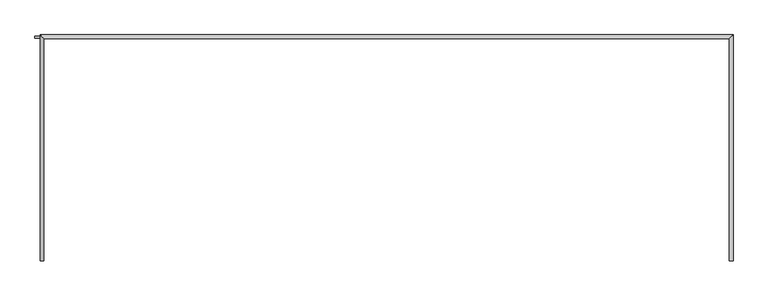
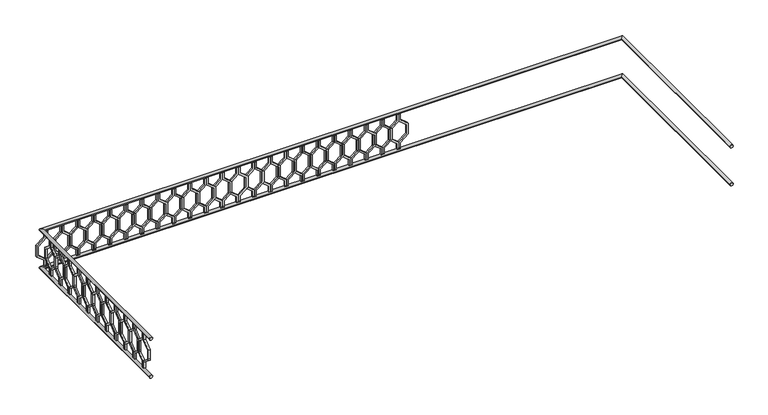
"""IFC4 building model written with IfcOpenShell, lengths in millimetres: railing geometry."""

from ifc_helpers import new_model, si_unit, frame, origin, place, context, project, spatial, polyline, circle_curve, ellipse_curve, outline, extrude, source, transform, mapped, element, save
from ifc_brep_helpers import plane_surface, cylinder_surface, advanced_brep


def railing_93a5544b(model_context):
    return source(origin(), model_context, "Body", "SolidModel", [
        advanced_brep(
        [(-40739.9887159, 903.1079487, 4980.0), (-40699.9887159, 903.1079487, 4980.0), (-40739.9887159, 3243.1079487, 4980.0), (-40699.9887159, 3283.1079487, 4980.0), (-47939.9887159, 3243.1079487, 4980.0), (-47979.9887159, 3283.1079487, 4980.0), (-47939.9887159, 903.1079487, 4980.0), (-47979.9887159, 903.1079487, 4980.0)],
        [
            (0, 1, circle_curve(frame((-40719.9887159, 903.1079487, 4980.0), z_axis=(0.0, -1.0, 0.0), x_axis=(1.0, 0.0, 0.0)), 20.0)),
            (1, 0, circle_curve(frame((-40719.9887159, 903.1079487, 4980.0), z_axis=(0.0, -1.0, 0.0), x_axis=(1.0, 0.0, 0.0)), 20.0)),
            (0, 2),
            (2, 3, ellipse_curve(frame((-40719.9887159, 3263.1079487, 4980.0), z_axis=(0.7071067811865475, -0.7071067811865476, 0.0), x_axis=(-0.7071067811865476, -0.7071067811865475, 0.0)), 28.2842712, 20.0)),
            (3, 1),
            (3, 2, ellipse_curve(frame((-40719.9887159, 3263.1079487, 4980.0), z_axis=(0.7071067811865475, -0.7071067811865476, 0.0), x_axis=(-0.7071067811865476, -0.7071067811865475, 0.0)), 28.2842712, 20.0)),
            (2, 4),
            (4, 5, ellipse_curve(frame((-47959.9887159, 3263.1079487, 4980.0), z_axis=(0.7071067811865481, 0.7071067811865469, 0.0), x_axis=(0.7071067811865469, -0.7071067811865481, 0.0)), 28.2842712, 20.0)),
            (5, 3),
            (5, 4, ellipse_curve(frame((-47959.9887159, 3263.1079487, 4980.0), z_axis=(0.7071067811865481, 0.7071067811865469, 0.0), x_axis=(0.7071067811865469, -0.7071067811865481, 0.0)), 28.2842712, 20.0)),
            (6, 7, circle_curve(frame((-47959.9887159, 903.1079487, 4980.0), z_axis=(0.0, -1.0, 0.0), x_axis=(-1.0, 0.0, 0.0)), 20.0)),
            (7, 6, circle_curve(frame((-47959.9887159, 903.1079487, 4980.0), z_axis=(0.0, -1.0, 0.0), x_axis=(-1.0, 0.0, 0.0)), 20.0)),
            (4, 6),
            (7, 5),
        ],
        [
            plane_surface(frame((-40719.9887159, 903.1079487, 5000.0), z_axis=(0.0, -1.0, 0.0), x_axis=(0.0, 0.0, 1.0))),
            cylinder_surface(frame((-40719.9887159, 903.1079487, 4980.0), z_axis=(0.0, -1.0, 0.0), x_axis=(1.0, 0.0, 0.0)), 20.0),
            cylinder_surface(frame((-40719.9887159, 3263.1079487, 4980.0), z_axis=(1.0, 0.0, 0.0), x_axis=(0.0, 1.0, 0.0)), 20.0),
            plane_surface(frame((-47959.9887159, 903.1079487, 5000.0), z_axis=(0.0, -1.0, 0.0), x_axis=(0.0, 0.0, -1.0))),
            cylinder_surface(frame((-47959.9887159, 3263.1079487, 4980.0), z_axis=(0.0, 1.0, 0.0), x_axis=(-1.0, 0.0, 0.0)), 20.0),
        ],
        [
            (0, [[1, 2]]),
            (1, [[-1, 3, 4, 5]]),
            (1, [[-2, -5, 6, -3]]),
            (2, [[-4, 7, 8, 9]]),
            (2, [[-6, -9, 10, -7]]),
            (3, [[11, 12]]),
            (4, [[-8, 13, -12, 14]]),
            (4, [[-10, -14, -11, -13]]),
        ],
    ),
        advanced_brep(
        [(-40739.9887159, 903.1079487, 4480.0), (-40699.9887159, 903.1079487, 4480.0), (-40739.9887159, 3243.1079487, 4480.0), (-40699.9887159, 3283.1079487, 4480.0), (-47939.9887159, 3243.1079487, 4480.0), (-47979.9887159, 3283.1079487, 4480.0), (-47939.9887159, 903.1079487, 4480.0), (-47979.9887159, 903.1079487, 4480.0)],
        [
            (0, 1, circle_curve(frame((-40719.9887159, 903.1079487, 4480.0), z_axis=(0.0, -1.0, 0.0), x_axis=(1.0, 0.0, 0.0)), 20.0)),
            (1, 0, circle_curve(frame((-40719.9887159, 903.1079487, 4480.0), z_axis=(0.0, -1.0, 0.0), x_axis=(1.0, 0.0, 0.0)), 20.0)),
            (0, 2),
            (2, 3, ellipse_curve(frame((-40719.9887159, 3263.1079487, 4480.0), z_axis=(0.7071067811865475, -0.7071067811865476, 0.0), x_axis=(-0.7071067811865476, -0.7071067811865475, 0.0)), 28.2842712, 20.0)),
            (3, 1),
            (3, 2, ellipse_curve(frame((-40719.9887159, 3263.1079487, 4480.0), z_axis=(0.7071067811865475, -0.7071067811865476, 0.0), x_axis=(-0.7071067811865476, -0.7071067811865475, 0.0)), 28.2842712, 20.0)),
            (2, 4),
            (4, 5, ellipse_curve(frame((-47959.9887159, 3263.1079487, 4480.0), z_axis=(0.7071067811865481, 0.7071067811865469, 0.0), x_axis=(0.7071067811865469, -0.7071067811865481, 0.0)), 28.2842712, 20.0)),
            (5, 3),
            (5, 4, ellipse_curve(frame((-47959.9887159, 3263.1079487, 4480.0), z_axis=(0.7071067811865481, 0.7071067811865469, 0.0), x_axis=(0.7071067811865469, -0.7071067811865481, 0.0)), 28.2842712, 20.0)),
            (6, 7, circle_curve(frame((-47959.9887159, 903.1079487, 4480.0), z_axis=(0.0, -1.0, 0.0), x_axis=(-1.0, 0.0, 0.0)), 20.0)),
            (7, 6, circle_curve(frame((-47959.9887159, 903.1079487, 4480.0), z_axis=(0.0, -1.0, 0.0), x_axis=(-1.0, 0.0, 0.0)), 20.0)),
            (4, 6),
            (7, 5),
        ],
        [
            plane_surface(frame((-40719.9887159, 903.1079487, 4500.0), z_axis=(0.0, -1.0, 0.0), x_axis=(0.0, 0.0, 1.0))),
            cylinder_surface(frame((-40719.9887159, 903.1079487, 4480.0), z_axis=(0.0, -1.0, 0.0), x_axis=(1.0, 0.0, 0.0)), 20.0),
            cylinder_surface(frame((-40719.9887159, 3263.1079487, 4480.0), z_axis=(1.0, 0.0, 0.0), x_axis=(0.0, 1.0, 0.0)), 20.0),
            plane_surface(frame((-47959.9887159, 903.1079487, 4500.0), z_axis=(0.0, -1.0, 0.0), x_axis=(0.0, 0.0, -1.0))),
            cylinder_surface(frame((-47959.9887159, 3263.1079487, 4480.0), z_axis=(0.0, 1.0, 0.0), x_axis=(-1.0, 0.0, 0.0)), 20.0),
        ],
        [
            (0, [[1, 2]]),
            (1, [[-1, 3, 4, 5]]),
            (1, [[-2, -5, 6, -3]]),
            (2, [[-4, 7, 8, 9]]),
            (2, [[-6, -9, 10, -7]]),
            (3, [[11, 12]]),
            (4, [[-8, 13, -12, 14]]),
            (4, [[-10, -14, -11, -13]]),
        ],
    ),
        extrude(outline(polyline([(1068.1079487, 4960.0), (1068.1079487, 4870.448155), (969.1129993, 4790.448155), (969.1129993, 4669.551845), (1068.1079487, 4589.551845), (1068.1079487, 4500.0), (1048.1079487, 4500.0), (1048.1079487, 4580.0), (949.1129993, 4660.0), (949.1129993, 4800.0), (1048.1079487, 4880.0), (1048.1079487, 4960.0), (1068.1079487, 4960.0)])), frame((-47964.9887159, 0.0, 0.0), z_axis=(1.0, 0.0, 0.0), x_axis=(0.0, 1.0, 0.0)), (0.0, 0.0, 1.0), 20.0),
        extrude(outline(polyline([(1068.1079487, 4960.0), (1088.1079487, 4960.0), (1088.1079487, 4880.0), (1187.102898, 4800.0), (1187.102898, 4660.0), (1088.1079487, 4580.0), (1088.1079487, 4500.0), (1068.1079487, 4500.0), (1068.1079487, 4589.551845), (1167.102898, 4669.551845), (1167.102898, 4790.448155), (1068.1079487, 4870.448155), (1068.1079487, 4960.0)])), frame((-47964.9887159, 0.0, 0.0), z_axis=(1.0, 0.0, 0.0), x_axis=(0.0, 1.0, 0.0)), (0.0, 0.0, 1.0), 20.0),
        extrude(outline(polyline([(1268.1079487, 4960.0), (1268.1079487, 4870.448155), (1169.1129993, 4790.448155), (1169.1129993, 4669.551845), (1268.1079487, 4589.551845), (1268.1079487, 4500.0), (1248.1079487, 4500.0), (1248.1079487, 4580.0), (1149.1129993, 4660.0), (1149.1129993, 4800.0), (1248.1079487, 4880.0), (1248.1079487, 4960.0), (1268.1079487, 4960.0)])), frame((-47964.9887159, 0.0, 0.0), z_axis=(1.0, 0.0, 0.0), x_axis=(0.0, 1.0, 0.0)), (0.0, 0.0, 1.0), 20.0),
        extrude(outline(polyline([(1268.1079487, 4960.0), (1288.1079487, 4960.0), (1288.1079487, 4880.0), (1387.102898, 4800.0), (1387.102898, 4660.0), (1288.1079487, 4580.0), (1288.1079487, 4500.0), (1268.1079487, 4500.0), (1268.1079487, 4589.551845), (1367.102898, 4669.551845), (1367.102898, 4790.448155), (1268.1079487, 4870.448155), (1268.1079487, 4960.0)])), frame((-47964.9887159, 0.0, 0.0), z_axis=(1.0, 0.0, 0.0), x_axis=(0.0, 1.0, 0.0)), (0.0, 0.0, 1.0), 20.0),
        extrude(outline(polyline([(1468.1079487, 4960.0), (1468.1079487, 4870.448155), (1369.1129993, 4790.448155), (1369.1129993, 4669.551845), (1468.1079487, 4589.551845), (1468.1079487, 4500.0), (1448.1079487, 4500.0), (1448.1079487, 4580.0), (1349.1129993, 4660.0), (1349.1129993, 4800.0), (1448.1079487, 4880.0), (1448.1079487, 4960.0), (1468.1079487, 4960.0)])), frame((-47964.9887159, 0.0, 0.0), z_axis=(1.0, 0.0, 0.0), x_axis=(0.0, 1.0, 0.0)), (0.0, 0.0, 1.0), 20.0),
        extrude(outline(polyline([(1468.1079487, 4960.0), (1488.1079487, 4960.0), (1488.1079487, 4880.0), (1587.102898, 4800.0), (1587.102898, 4660.0), (1488.1079487, 4580.0), (1488.1079487, 4500.0), (1468.1079487, 4500.0), (1468.1079487, 4589.551845), (1567.102898, 4669.551845), (1567.102898, 4790.448155), (1468.1079487, 4870.448155), (1468.1079487, 4960.0)])), frame((-47964.9887159, 0.0, 0.0), z_axis=(1.0, 0.0, 0.0), x_axis=(0.0, 1.0, 0.0)), (0.0, 0.0, 1.0), 20.0),
        extrude(outline(polyline([(1668.1079487, 4960.0), (1668.1079487, 4870.448155), (1569.1129993, 4790.448155), (1569.1129993, 4669.551845), (1668.1079487, 4589.551845), (1668.1079487, 4500.0), (1648.1079487, 4500.0), (1648.1079487, 4580.0), (1549.1129993, 4660.0), (1549.1129993, 4800.0), (1648.1079487, 4880.0), (1648.1079487, 4960.0), (1668.1079487, 4960.0)])), frame((-47964.9887159, 0.0, 0.0), z_axis=(1.0, 0.0, 0.0), x_axis=(0.0, 1.0, 0.0)), (0.0, 0.0, 1.0), 20.0),
        extrude(outline(polyline([(1668.1079487, 4960.0), (1688.1079487, 4960.0), (1688.1079487, 4880.0), (1787.102898, 4800.0), (1787.102898, 4660.0), (1688.1079487, 4580.0), (1688.1079487, 4500.0), (1668.1079487, 4500.0), (1668.1079487, 4589.551845), (1767.102898, 4669.551845), (1767.102898, 4790.448155), (1668.1079487, 4870.448155), (1668.1079487, 4960.0)])), frame((-47964.9887159, 0.0, 0.0), z_axis=(1.0, 0.0, 0.0), x_axis=(0.0, 1.0, 0.0)), (0.0, 0.0, 1.0), 20.0),
        extrude(outline(polyline([(1868.1079487, 4960.0), (1868.1079487, 4870.448155), (1769.1129993, 4790.448155), (1769.1129993, 4669.551845), (1868.1079487, 4589.551845), (1868.1079487, 4500.0), (1848.1079487, 4500.0), (1848.1079487, 4580.0), (1749.1129993, 4660.0), (1749.1129993, 4800.0), (1848.1079487, 4880.0), (1848.1079487, 4960.0), (1868.1079487, 4960.0)])), frame((-47964.9887159, 0.0, 0.0), z_axis=(1.0, 0.0, 0.0), x_axis=(0.0, 1.0, 0.0)), (0.0, 0.0, 1.0), 20.0),
        extrude(outline(polyline([(1868.1079487, 4960.0), (1888.1079487, 4960.0), (1888.1079487, 4880.0), (1987.102898, 4800.0), (1987.102898, 4660.0), (1888.1079487, 4580.0), (1888.1079487, 4500.0), (1868.1079487, 4500.0), (1868.1079487, 4589.551845), (1967.102898, 4669.551845), (1967.102898, 4790.448155), (1868.1079487, 4870.448155), (1868.1079487, 4960.0)])), frame((-47964.9887159, 0.0, 0.0), z_axis=(1.0, 0.0, 0.0), x_axis=(0.0, 1.0, 0.0)), (0.0, 0.0, 1.0), 20.0),
        extrude(outline(polyline([(2068.1079487, 4960.0), (2068.1079487, 4870.448155), (1969.1129993, 4790.448155), (1969.1129993, 4669.551845), (2068.1079487, 4589.551845), (2068.1079487, 4500.0), (2048.1079487, 4500.0), (2048.1079487, 4580.0), (1949.1129993, 4660.0), (1949.1129993, 4800.0), (2048.1079487, 4880.0), (2048.1079487, 4960.0), (2068.1079487, 4960.0)])), frame((-47964.9887159, 0.0, 0.0), z_axis=(1.0, 0.0, 0.0), x_axis=(0.0, 1.0, 0.0)), (0.0, 0.0, 1.0), 20.0),
        extrude(outline(polyline([(2068.1079487, 4960.0), (2088.1079487, 4960.0), (2088.1079487, 4880.0), (2187.102898, 4800.0), (2187.102898, 4660.0), (2088.1079487, 4580.0), (2088.1079487, 4500.0), (2068.1079487, 4500.0), (2068.1079487, 4589.551845), (2167.102898, 4669.551845), (2167.102898, 4790.448155), (2068.1079487, 4870.448155), (2068.1079487, 4960.0)])), frame((-47964.9887159, 0.0, 0.0), z_axis=(1.0, 0.0, 0.0), x_axis=(0.0, 1.0, 0.0)), (0.0, 0.0, 1.0), 20.0),
        extrude(outline(polyline([(2268.1079487, 4960.0), (2268.1079487, 4870.448155), (2169.1129993, 4790.448155), (2169.1129993, 4669.551845), (2268.1079487, 4589.551845), (2268.1079487, 4500.0), (2248.1079487, 4500.0), (2248.1079487, 4580.0), (2149.1129993, 4660.0), (2149.1129993, 4800.0), (2248.1079487, 4880.0), (2248.1079487, 4960.0), (2268.1079487, 4960.0)])), frame((-47964.9887159, 0.0, 0.0), z_axis=(1.0, 0.0, 0.0), x_axis=(0.0, 1.0, 0.0)), (0.0, 0.0, 1.0), 20.0),
        extrude(outline(polyline([(2268.1079487, 4960.0), (2288.1079487, 4960.0), (2288.1079487, 4880.0), (2387.102898, 4800.0), (2387.102898, 4660.0), (2288.1079487, 4580.0), (2288.1079487, 4500.0), (2268.1079487, 4500.0), (2268.1079487, 4589.551845), (2367.102898, 4669.551845), (2367.102898, 4790.448155), (2268.1079487, 4870.448155), (2268.1079487, 4960.0)])), frame((-47964.9887159, 0.0, 0.0), z_axis=(1.0, 0.0, 0.0), x_axis=(0.0, 1.0, 0.0)), (0.0, 0.0, 1.0), 20.0),
        extrude(outline(polyline([(2468.1079487, 4960.0), (2468.1079487, 4870.448155), (2369.1129993, 4790.448155), (2369.1129993, 4669.551845), (2468.1079487, 4589.551845), (2468.1079487, 4500.0), (2448.1079487, 4500.0), (2448.1079487, 4580.0), (2349.1129993, 4660.0), (2349.1129993, 4800.0), (2448.1079487, 4880.0), (2448.1079487, 4960.0), (2468.1079487, 4960.0)])), frame((-47964.9887159, 0.0, 0.0), z_axis=(1.0, 0.0, 0.0), x_axis=(0.0, 1.0, 0.0)), (0.0, 0.0, 1.0), 20.0),
        extrude(outline(polyline([(2468.1079487, 4960.0), (2488.1079487, 4960.0), (2488.1079487, 4880.0), (2587.102898, 4800.0), (2587.102898, 4660.0), (2488.1079487, 4580.0), (2488.1079487, 4500.0), (2468.1079487, 4500.0), (2468.1079487, 4589.551845), (2567.102898, 4669.551845), (2567.102898, 4790.448155), (2468.1079487, 4870.448155), (2468.1079487, 4960.0)])), frame((-47964.9887159, 0.0, 0.0), z_axis=(1.0, 0.0, 0.0), x_axis=(0.0, 1.0, 0.0)), (0.0, 0.0, 1.0), 20.0),
        extrude(outline(polyline([(2668.1079487, 4960.0), (2668.1079487, 4870.448155), (2569.1129993, 4790.448155), (2569.1129993, 4669.551845), (2668.1079487, 4589.551845), (2668.1079487, 4500.0), (2648.1079487, 4500.0), (2648.1079487, 4580.0), (2549.1129993, 4660.0), (2549.1129993, 4800.0), (2648.1079487, 4880.0), (2648.1079487, 4960.0), (2668.1079487, 4960.0)])), frame((-47964.9887159, 0.0, 0.0), z_axis=(1.0, 0.0, 0.0), x_axis=(0.0, 1.0, 0.0)), (0.0, 0.0, 1.0), 20.0),
        extrude(outline(polyline([(2668.1079487, 4960.0), (2688.1079487, 4960.0), (2688.1079487, 4880.0), (2787.102898, 4800.0), (2787.102898, 4660.0), (2688.1079487, 4580.0), (2688.1079487, 4500.0), (2668.1079487, 4500.0), (2668.1079487, 4589.551845), (2767.102898, 4669.551845), (2767.102898, 4790.448155), (2668.1079487, 4870.448155), (2668.1079487, 4960.0)])), frame((-47964.9887159, 0.0, 0.0), z_axis=(1.0, 0.0, 0.0), x_axis=(0.0, 1.0, 0.0)), (0.0, 0.0, 1.0), 20.0),
        extrude(outline(polyline([(2868.1079487, 4960.0), (2868.1079487, 4870.448155), (2769.1129993, 4790.448155), (2769.1129993, 4669.551845), (2868.1079487, 4589.551845), (2868.1079487, 4500.0), (2848.1079487, 4500.0), (2848.1079487, 4580.0), (2749.1129993, 4660.0), (2749.1129993, 4800.0), (2848.1079487, 4880.0), (2848.1079487, 4960.0), (2868.1079487, 4960.0)])), frame((-47964.9887159, 0.0, 0.0), z_axis=(1.0, 0.0, 0.0), x_axis=(0.0, 1.0, 0.0)), (0.0, 0.0, 1.0), 20.0),
        extrude(outline(polyline([(2868.1079487, 4960.0), (2888.1079487, 4960.0), (2888.1079487, 4880.0), (2987.102898, 4800.0), (2987.102898, 4660.0), (2888.1079487, 4580.0), (2888.1079487, 4500.0), (2868.1079487, 4500.0), (2868.1079487, 4589.551845), (2967.102898, 4669.551845), (2967.102898, 4790.448155), (2868.1079487, 4870.448155), (2868.1079487, 4960.0)])), frame((-47964.9887159, 0.0, 0.0), z_axis=(1.0, 0.0, 0.0), x_axis=(0.0, 1.0, 0.0)), (0.0, 0.0, 1.0), 20.0),
        extrude(outline(polyline([(3068.1079487, 4960.0), (3068.1079487, 4870.448155), (2969.1129993, 4790.448155), (2969.1129993, 4669.551845), (3068.1079487, 4589.551845), (3068.1079487, 4500.0), (3048.1079487, 4500.0), (3048.1079487, 4580.0), (2949.1129993, 4660.0), (2949.1129993, 4800.0), (3048.1079487, 4880.0), (3048.1079487, 4960.0), (3068.1079487, 4960.0)])), frame((-47964.9887159, 0.0, 0.0), z_axis=(1.0, 0.0, 0.0), x_axis=(0.0, 1.0, 0.0)), (0.0, 0.0, 1.0), 20.0),
        extrude(outline(polyline([(3068.1079487, 4960.0), (3088.1079487, 4960.0), (3088.1079487, 4880.0), (3187.102898, 4800.0), (3187.102898, 4660.0), (3088.1079487, 4580.0), (3088.1079487, 4500.0), (3068.1079487, 4500.0), (3068.1079487, 4589.551845), (3167.102898, 4669.551845), (3167.102898, 4790.448155), (3068.1079487, 4870.448155), (3068.1079487, 4960.0)])), frame((-47964.9887159, 0.0, 0.0), z_axis=(1.0, 0.0, 0.0), x_axis=(0.0, 1.0, 0.0)), (0.0, 0.0, 1.0), 20.0),
        extrude(outline(polyline([(4960.0, -47914.9887159), (4960.0, -47934.9887159), (4880.0, -47934.9887159), (4800.0, -48033.9836653), (4660.0, -48033.9836653), (4580.0, -47934.9887159), (4500.0, -47934.9887159), (4500.0, -47914.9887159), (4589.551845, -47914.9887159), (4669.551845, -48013.9836653), (4790.448155, -48013.9836653), (4870.448155, -47914.9887159), (4960.0, -47914.9887159)])), frame((0.0, 3248.1079487, 0.0), z_axis=(0.0, 1.0, 0.0), x_axis=(0.0, 0.0, 1.0)), (0.0, 0.0, 1.0), 20.0),
        extrude(outline(polyline([(4960.0, -47914.9887159), (4870.448155, -47914.9887159), (4790.448155, -47815.9937665), (4669.551845, -47815.9937665), (4589.551845, -47914.9887159), (4500.0, -47914.9887159), (4500.0, -47894.9887159), (4580.0, -47894.9887159), (4660.0, -47795.9937665), (4800.0, -47795.9937665), (4880.0, -47894.9887159), (4960.0, -47894.9887159), (4960.0, -47914.9887159)])), frame((0.0, 3248.1079487, 0.0), z_axis=(0.0, 1.0, 0.0), x_axis=(0.0, 0.0, 1.0)), (0.0, 0.0, 1.0), 20.0),
        extrude(outline(polyline([(4960.0, -47714.9887159), (4960.0, -47734.9887159), (4880.0, -47734.9887159), (4800.0, -47833.9836653), (4660.0, -47833.9836653), (4580.0, -47734.9887159), (4500.0, -47734.9887159), (4500.0, -47714.9887159), (4589.551845, -47714.9887159), (4669.551845, -47813.9836653), (4790.448155, -47813.9836653), (4870.448155, -47714.9887159), (4960.0, -47714.9887159)])), frame((0.0, 3248.1079487, 0.0), z_axis=(0.0, 1.0, 0.0), x_axis=(0.0, 0.0, 1.0)), (0.0, 0.0, 1.0), 20.0),
        extrude(outline(polyline([(4960.0, -47714.9887159), (4870.448155, -47714.9887159), (4790.448155, -47615.9937665), (4669.551845, -47615.9937665), (4589.551845, -47714.9887159), (4500.0, -47714.9887159), (4500.0, -47694.9887159), (4580.0, -47694.9887159), (4660.0, -47595.9937665), (4800.0, -47595.9937665), (4880.0, -47694.9887159), (4960.0, -47694.9887159), (4960.0, -47714.9887159)])), frame((0.0, 3248.1079487, 0.0), z_axis=(0.0, 1.0, 0.0), x_axis=(0.0, 0.0, 1.0)), (0.0, 0.0, 1.0), 20.0),
        extrude(outline(polyline([(4960.0, -47514.9887159), (4960.0, -47534.9887159), (4880.0, -47534.9887159), (4800.0, -47633.9836653), (4660.0, -47633.9836653), (4580.0, -47534.9887159), (4500.0, -47534.9887159), (4500.0, -47514.9887159), (4589.551845, -47514.9887159), (4669.551845, -47613.9836653), (4790.448155, -47613.9836653), (4870.448155, -47514.9887159), (4960.0, -47514.9887159)])), frame((0.0, 3248.1079487, 0.0), z_axis=(0.0, 1.0, 0.0), x_axis=(0.0, 0.0, 1.0)), (0.0, 0.0, 1.0), 20.0),
        extrude(outline(polyline([(4960.0, -47514.9887159), (4870.448155, -47514.9887159), (4790.448155, -47415.9937665), (4669.551845, -47415.9937665), (4589.551845, -47514.9887159), (4500.0, -47514.9887159), (4500.0, -47494.9887159), (4580.0, -47494.9887159), (4660.0, -47395.9937665), (4800.0, -47395.9937665), (4880.0, -47494.9887159), (4960.0, -47494.9887159), (4960.0, -47514.9887159)])), frame((0.0, 3248.1079487, 0.0), z_axis=(0.0, 1.0, 0.0), x_axis=(0.0, 0.0, 1.0)), (0.0, 0.0, 1.0), 20.0),
        extrude(outline(polyline([(4960.0, -47314.9887159), (4960.0, -47334.9887159), (4880.0, -47334.9887159), (4800.0, -47433.9836653), (4660.0, -47433.9836653), (4580.0, -47334.9887159), (4500.0, -47334.9887159), (4500.0, -47314.9887159), (4589.551845, -47314.9887159), (4669.551845, -47413.9836653), (4790.448155, -47413.9836653), (4870.448155, -47314.9887159), (4960.0, -47314.9887159)])), frame((0.0, 3248.1079487, 0.0), z_axis=(0.0, 1.0, 0.0), x_axis=(0.0, 0.0, 1.0)), (0.0, 0.0, 1.0), 20.0),
        extrude(outline(polyline([(4960.0, -47314.9887159), (4870.448155, -47314.9887159), (4790.448155, -47215.9937665), (4669.551845, -47215.9937665), (4589.551845, -47314.9887159), (4500.0, -47314.9887159), (4500.0, -47294.9887159), (4580.0, -47294.9887159), (4660.0, -47195.9937665), (4800.0, -47195.9937665), (4880.0, -47294.9887159), (4960.0, -47294.9887159), (4960.0, -47314.9887159)])), frame((0.0, 3248.1079487, 0.0), z_axis=(0.0, 1.0, 0.0), x_axis=(0.0, 0.0, 1.0)), (0.0, 0.0, 1.0), 20.0),
        extrude(outline(polyline([(4960.0, -47114.9887159), (4960.0, -47134.9887159), (4880.0, -47134.9887159), (4800.0, -47233.9836653), (4660.0, -47233.9836653), (4580.0, -47134.9887159), (4500.0, -47134.9887159), (4500.0, -47114.9887159), (4589.551845, -47114.9887159), (4669.551845, -47213.9836653), (4790.448155, -47213.9836653), (4870.448155, -47114.9887159), (4960.0, -47114.9887159)])), frame((0.0, 3248.1079487, 0.0), z_axis=(0.0, 1.0, 0.0), x_axis=(0.0, 0.0, 1.0)), (0.0, 0.0, 1.0), 20.0),
        extrude(outline(polyline([(4960.0, -47114.9887159), (4870.448155, -47114.9887159), (4790.448155, -47015.9937665), (4669.551845, -47015.9937665), (4589.551845, -47114.9887159), (4500.0, -47114.9887159), (4500.0, -47094.9887159), (4580.0, -47094.9887159), (4660.0, -46995.9937665), (4800.0, -46995.9937665), (4880.0, -47094.9887159), (4960.0, -47094.9887159), (4960.0, -47114.9887159)])), frame((0.0, 3248.1079487, 0.0), z_axis=(0.0, 1.0, 0.0), x_axis=(0.0, 0.0, 1.0)), (0.0, 0.0, 1.0), 20.0),
        extrude(outline(polyline([(4960.0, -46914.9887159), (4960.0, -46934.9887159), (4880.0, -46934.9887159), (4800.0, -47033.9836653), (4660.0, -47033.9836653), (4580.0, -46934.9887159), (4500.0, -46934.9887159), (4500.0, -46914.9887159), (4589.551845, -46914.9887159), (4669.551845, -47013.9836653), (4790.448155, -47013.9836653), (4870.448155, -46914.9887159), (4960.0, -46914.9887159)])), frame((0.0, 3248.1079487, 0.0), z_axis=(0.0, 1.0, 0.0), x_axis=(0.0, 0.0, 1.0)), (0.0, 0.0, 1.0), 20.0),
        extrude(outline(polyline([(4960.0, -46914.9887159), (4870.448155, -46914.9887159), (4790.448155, -46815.9937665), (4669.551845, -46815.9937665), (4589.551845, -46914.9887159), (4500.0, -46914.9887159), (4500.0, -46894.9887159), (4580.0, -46894.9887159), (4660.0, -46795.9937665), (4800.0, -46795.9937665), (4880.0, -46894.9887159), (4960.0, -46894.9887159), (4960.0, -46914.9887159)])), frame((0.0, 3248.1079487, 0.0), z_axis=(0.0, 1.0, 0.0), x_axis=(0.0, 0.0, 1.0)), (0.0, 0.0, 1.0), 20.0),
        extrude(outline(polyline([(4960.0, -46714.9887159), (4960.0, -46734.9887159), (4880.0, -46734.9887159), (4800.0, -46833.9836653), (4660.0, -46833.9836653), (4580.0, -46734.9887159), (4500.0, -46734.9887159), (4500.0, -46714.9887159), (4589.551845, -46714.9887159), (4669.551845, -46813.9836653), (4790.448155, -46813.9836653), (4870.448155, -46714.9887159), (4960.0, -46714.9887159)])), frame((0.0, 3248.1079487, 0.0), z_axis=(0.0, 1.0, 0.0), x_axis=(0.0, 0.0, 1.0)), (0.0, 0.0, 1.0), 20.0),
        extrude(outline(polyline([(4960.0, -46714.9887159), (4870.448155, -46714.9887159), (4790.448155, -46615.9937665), (4669.551845, -46615.9937665), (4589.551845, -46714.9887159), (4500.0, -46714.9887159), (4500.0, -46694.9887159), (4580.0, -46694.9887159), (4660.0, -46595.9937665), (4800.0, -46595.9937665), (4880.0, -46694.9887159), (4960.0, -46694.9887159), (4960.0, -46714.9887159)])), frame((0.0, 3248.1079487, 0.0), z_axis=(0.0, 1.0, 0.0), x_axis=(0.0, 0.0, 1.0)), (0.0, 0.0, 1.0), 20.0),
        extrude(outline(polyline([(4960.0, -46514.9887159), (4960.0, -46534.9887159), (4880.0, -46534.9887159), (4800.0, -46633.9836653), (4660.0, -46633.9836653), (4580.0, -46534.9887159), (4500.0, -46534.9887159), (4500.0, -46514.9887159), (4589.551845, -46514.9887159), (4669.551845, -46613.9836653), (4790.448155, -46613.9836653), (4870.448155, -46514.9887159), (4960.0, -46514.9887159)])), frame((0.0, 3248.1079487, 0.0), z_axis=(0.0, 1.0, 0.0), x_axis=(0.0, 0.0, 1.0)), (0.0, 0.0, 1.0), 20.0),
        extrude(outline(polyline([(4960.0, -46514.9887159), (4870.448155, -46514.9887159), (4790.448155, -46415.9937665), (4669.551845, -46415.9937665), (4589.551845, -46514.9887159), (4500.0, -46514.9887159), (4500.0, -46494.9887159), (4580.0, -46494.9887159), (4660.0, -46395.9937665), (4800.0, -46395.9937665), (4880.0, -46494.9887159), (4960.0, -46494.9887159), (4960.0, -46514.9887159)])), frame((0.0, 3248.1079487, 0.0), z_axis=(0.0, 1.0, 0.0), x_axis=(0.0, 0.0, 1.0)), (0.0, 0.0, 1.0), 20.0),
        extrude(outline(polyline([(4960.0, -46314.9887159), (4960.0, -46334.9887159), (4880.0, -46334.9887159), (4800.0, -46433.9836653), (4660.0, -46433.9836653), (4580.0, -46334.9887159), (4500.0, -46334.9887159), (4500.0, -46314.9887159), (4589.551845, -46314.9887159), (4669.551845, -46413.9836653), (4790.448155, -46413.9836653), (4870.448155, -46314.9887159), (4960.0, -46314.9887159)])), frame((0.0, 3248.1079487, 0.0), z_axis=(0.0, 1.0, 0.0), x_axis=(0.0, 0.0, 1.0)), (0.0, 0.0, 1.0), 20.0),
        extrude(outline(polyline([(4960.0, -46314.9887159), (4870.448155, -46314.9887159), (4790.448155, -46215.9937665), (4669.551845, -46215.9937665), (4589.551845, -46314.9887159), (4500.0, -46314.9887159), (4500.0, -46294.9887159), (4580.0, -46294.9887159), (4660.0, -46195.9937665), (4800.0, -46195.9937665), (4880.0, -46294.9887159), (4960.0, -46294.9887159), (4960.0, -46314.9887159)])), frame((0.0, 3248.1079487, 0.0), z_axis=(0.0, 1.0, 0.0), x_axis=(0.0, 0.0, 1.0)), (0.0, 0.0, 1.0), 20.0),
        extrude(outline(polyline([(4960.0, -46114.9887159), (4960.0, -46134.9887159), (4880.0, -46134.9887159), (4800.0, -46233.9836653), (4660.0, -46233.9836653), (4580.0, -46134.9887159), (4500.0, -46134.9887159), (4500.0, -46114.9887159), (4589.551845, -46114.9887159), (4669.551845, -46213.9836653), (4790.448155, -46213.9836653), (4870.448155, -46114.9887159), (4960.0, -46114.9887159)])), frame((0.0, 3248.1079487, 0.0), z_axis=(0.0, 1.0, 0.0), x_axis=(0.0, 0.0, 1.0)), (0.0, 0.0, 1.0), 20.0),
        extrude(outline(polyline([(4960.0, -46114.9887159), (4870.448155, -46114.9887159), (4790.448155, -46015.9937665), (4669.551845, -46015.9937665), (4589.551845, -46114.9887159), (4500.0, -46114.9887159), (4500.0, -46094.9887159), (4580.0, -46094.9887159), (4660.0, -45995.9937665), (4800.0, -45995.9937665), (4880.0, -46094.9887159), (4960.0, -46094.9887159), (4960.0, -46114.9887159)])), frame((0.0, 3248.1079487, 0.0), z_axis=(0.0, 1.0, 0.0), x_axis=(0.0, 0.0, 1.0)), (0.0, 0.0, 1.0), 20.0),
        extrude(outline(polyline([(4960.0, -45914.9887159), (4960.0, -45934.9887159), (4880.0, -45934.9887159), (4800.0, -46033.9836653), (4660.0, -46033.9836653), (4580.0, -45934.9887159), (4500.0, -45934.9887159), (4500.0, -45914.9887159), (4589.551845, -45914.9887159), (4669.551845, -46013.9836653), (4790.448155, -46013.9836653), (4870.448155, -45914.9887159), (4960.0, -45914.9887159)])), frame((0.0, 3248.1079487, 0.0), z_axis=(0.0, 1.0, 0.0), x_axis=(0.0, 0.0, 1.0)), (0.0, 0.0, 1.0), 20.0),
        extrude(outline(polyline([(4960.0, -45914.9887159), (4870.448155, -45914.9887159), (4790.448155, -45815.9937665), (4669.551845, -45815.9937665), (4589.551845, -45914.9887159), (4500.0, -45914.9887159), (4500.0, -45894.9887159), (4580.0, -45894.9887159), (4660.0, -45795.9937665), (4800.0, -45795.9937665), (4880.0, -45894.9887159), (4960.0, -45894.9887159), (4960.0, -45914.9887159)])), frame((0.0, 3248.1079487, 0.0), z_axis=(0.0, 1.0, 0.0), x_axis=(0.0, 0.0, 1.0)), (0.0, 0.0, 1.0), 20.0),
        extrude(outline(polyline([(4960.0, -45714.9887159), (4960.0, -45734.9887159), (4880.0, -45734.9887159), (4800.0, -45833.9836653), (4660.0, -45833.9836653), (4580.0, -45734.9887159), (4500.0, -45734.9887159), (4500.0, -45714.9887159), (4589.551845, -45714.9887159), (4669.551845, -45813.9836653), (4790.448155, -45813.9836653), (4870.448155, -45714.9887159), (4960.0, -45714.9887159)])), frame((0.0, 3248.1079487, 0.0), z_axis=(0.0, 1.0, 0.0), x_axis=(0.0, 0.0, 1.0)), (0.0, 0.0, 1.0), 20.0),
        extrude(outline(polyline([(4960.0, -45714.9887159), (4870.448155, -45714.9887159), (4790.448155, -45615.9937665), (4669.551845, -45615.9937665), (4589.551845, -45714.9887159), (4500.0, -45714.9887159), (4500.0, -45694.9887159), (4580.0, -45694.9887159), (4660.0, -45595.9937665), (4800.0, -45595.9937665), (4880.0, -45694.9887159), (4960.0, -45694.9887159), (4960.0, -45714.9887159)])), frame((0.0, 3248.1079487, 0.0), z_axis=(0.0, 1.0, 0.0), x_axis=(0.0, 0.0, 1.0)), (0.0, 0.0, 1.0), 20.0),
        extrude(outline(polyline([(4960.0, -45514.9887159), (4960.0, -45534.9887159), (4880.0, -45534.9887159), (4800.0, -45633.9836653), (4660.0, -45633.9836653), (4580.0, -45534.9887159), (4500.0, -45534.9887159), (4500.0, -45514.9887159), (4589.551845, -45514.9887159), (4669.551845, -45613.9836653), (4790.448155, -45613.9836653), (4870.448155, -45514.9887159), (4960.0, -45514.9887159)])), frame((0.0, 3248.1079487, 0.0), z_axis=(0.0, 1.0, 0.0), x_axis=(0.0, 0.0, 1.0)), (0.0, 0.0, 1.0), 20.0),
        extrude(outline(polyline([(4960.0, -45514.9887159), (4870.448155, -45514.9887159), (4790.448155, -45415.9937665), (4669.551845, -45415.9937665), (4589.551845, -45514.9887159), (4500.0, -45514.9887159), (4500.0, -45494.9887159), (4580.0, -45494.9887159), (4660.0, -45395.9937665), (4800.0, -45395.9937665), (4880.0, -45494.9887159), (4960.0, -45494.9887159), (4960.0, -45514.9887159)])), frame((0.0, 3248.1079487, 0.0), z_axis=(0.0, 1.0, 0.0), x_axis=(0.0, 0.0, 1.0)), (0.0, 0.0, 1.0), 20.0),
        extrude(outline(polyline([(4960.0, -45314.9887159), (4960.0, -45334.9887159), (4880.0, -45334.9887159), (4800.0, -45433.9836653), (4660.0, -45433.9836653), (4580.0, -45334.9887159), (4500.0, -45334.9887159), (4500.0, -45314.9887159), (4589.551845, -45314.9887159), (4669.551845, -45413.9836653), (4790.448155, -45413.9836653), (4870.448155, -45314.9887159), (4960.0, -45314.9887159)])), frame((0.0, 3248.1079487, 0.0), z_axis=(0.0, 1.0, 0.0), x_axis=(0.0, 0.0, 1.0)), (0.0, 0.0, 1.0), 20.0),
        extrude(outline(polyline([(4960.0, -45314.9887159), (4870.448155, -45314.9887159), (4790.448155, -45215.9937665), (4669.551845, -45215.9937665), (4589.551845, -45314.9887159), (4500.0, -45314.9887159), (4500.0, -45294.9887159), (4580.0, -45294.9887159), (4660.0, -45195.9937665), (4800.0, -45195.9937665), (4880.0, -45294.9887159), (4960.0, -45294.9887159), (4960.0, -45314.9887159)])), frame((0.0, 3248.1079487, 0.0), z_axis=(0.0, 1.0, 0.0), x_axis=(0.0, 0.0, 1.0)), (0.0, 0.0, 1.0), 20.0),
        extrude(outline(polyline([(4960.0, -45114.9887159), (4960.0, -45134.9887159), (4880.0, -45134.9887159), (4800.0, -45233.9836653), (4660.0, -45233.9836653), (4580.0, -45134.9887159), (4500.0, -45134.9887159), (4500.0, -45114.9887159), (4589.551845, -45114.9887159), (4669.551845, -45213.9836653), (4790.448155, -45213.9836653), (4870.448155, -45114.9887159), (4960.0, -45114.9887159)])), frame((0.0, 3248.1079487, 0.0), z_axis=(0.0, 1.0, 0.0), x_axis=(0.0, 0.0, 1.0)), (0.0, 0.0, 1.0), 20.0),
        extrude(outline(polyline([(4960.0, -45114.9887159), (4870.448155, -45114.9887159), (4790.448155, -45015.9937665), (4669.551845, -45015.9937665), (4589.551845, -45114.9887159), (4500.0, -45114.9887159), (4500.0, -45094.9887159), (4580.0, -45094.9887159), (4660.0, -44995.9937665), (4800.0, -44995.9937665), (4880.0, -45094.9887159), (4960.0, -45094.9887159), (4960.0, -45114.9887159)])), frame((0.0, 3248.1079487, 0.0), z_axis=(0.0, 1.0, 0.0), x_axis=(0.0, 0.0, 1.0)), (0.0, 0.0, 1.0), 20.0),
        extrude(outline(polyline([(4960.0, -44914.9887159), (4960.0, -44934.9887159), (4880.0, -44934.9887159), (4800.0, -45033.9836653), (4660.0, -45033.9836653), (4580.0, -44934.9887159), (4500.0, -44934.9887159), (4500.0, -44914.9887159), (4589.551845, -44914.9887159), (4669.551845, -45013.9836653), (4790.448155, -45013.9836653), (4870.448155, -44914.9887159), (4960.0, -44914.9887159)])), frame((0.0, 3248.1079487, 0.0), z_axis=(0.0, 1.0, 0.0), x_axis=(0.0, 0.0, 1.0)), (0.0, 0.0, 1.0), 20.0),
        extrude(outline(polyline([(4960.0, -44914.9887159), (4870.448155, -44914.9887159), (4790.448155, -44815.9937665), (4669.551845, -44815.9937665), (4589.551845, -44914.9887159), (4500.0, -44914.9887159), (4500.0, -44894.9887159), (4580.0, -44894.9887159), (4660.0, -44795.9937665), (4800.0, -44795.9937665), (4880.0, -44894.9887159), (4960.0, -44894.9887159), (4960.0, -44914.9887159)])), frame((0.0, 3248.1079487, 0.0), z_axis=(0.0, 1.0, 0.0), x_axis=(0.0, 0.0, 1.0)), (0.0, 0.0, 1.0), 20.0),
        extrude(outline(polyline([(4960.0, -44714.9887159), (4960.0, -44734.9887159), (4880.0, -44734.9887159), (4800.0, -44833.9836653), (4660.0, -44833.9836653), (4580.0, -44734.9887159), (4500.0, -44734.9887159), (4500.0, -44714.9887159), (4589.551845, -44714.9887159), (4669.551845, -44813.9836653), (4790.448155, -44813.9836653), (4870.448155, -44714.9887159), (4960.0, -44714.9887159)])), frame((0.0, 3248.1079487, 0.0), z_axis=(0.0, 1.0, 0.0), x_axis=(0.0, 0.0, 1.0)), (0.0, 0.0, 1.0), 20.0),
        extrude(outline(polyline([(4960.0, -44714.9887159), (4870.448155, -44714.9887159), (4790.448155, -44615.9937665), (4669.551845, -44615.9937665), (4589.551845, -44714.9887159), (4500.0, -44714.9887159), (4500.0, -44694.9887159), (4580.0, -44694.9887159), (4660.0, -44595.9937665), (4800.0, -44595.9937665), (4880.0, -44694.9887159), (4960.0, -44694.9887159), (4960.0, -44714.9887159)])), frame((0.0, 3248.1079487, 0.0), z_axis=(0.0, 1.0, 0.0), x_axis=(0.0, 0.0, 1.0)), (0.0, 0.0, 1.0), 20.0),
        extrude(outline(polyline([(4960.0, -44514.9887159), (4960.0, -44534.9887159), (4880.0, -44534.9887159), (4800.0, -44633.9836653), (4660.0, -44633.9836653), (4580.0, -44534.9887159), (4500.0, -44534.9887159), (4500.0, -44514.9887159), (4589.551845, -44514.9887159), (4669.551845, -44613.9836653), (4790.448155, -44613.9836653), (4870.448155, -44514.9887159), (4960.0, -44514.9887159)])), frame((0.0, 3248.1079487, 0.0), z_axis=(0.0, 1.0, 0.0), x_axis=(0.0, 0.0, 1.0)), (0.0, 0.0, 1.0), 20.0),
        extrude(outline(polyline([(4960.0, -44514.9887159), (4870.448155, -44514.9887159), (4790.448155, -44415.9937665), (4669.551845, -44415.9937665), (4589.551845, -44514.9887159), (4500.0, -44514.9887159), (4500.0, -44494.9887159), (4580.0, -44494.9887159), (4660.0, -44395.9937665), (4800.0, -44395.9937665), (4880.0, -44494.9887159), (4960.0, -44494.9887159), (4960.0, -44514.9887159)])), frame((0.0, 3248.1079487, 0.0), z_axis=(0.0, 1.0, 0.0), x_axis=(0.0, 0.0, 1.0)), (0.0, 0.0, 1.0), 20.0),
        extrude(outline(polyline([(4960.0, -44314.9887159), (4960.0, -44334.9887159), (4880.0, -44334.9887159), (4800.0, -44433.9836653), (4660.0, -44433.9836653), (4580.0, -44334.9887159), (4500.0, -44334.9887159), (4500.0, -44314.9887159), (4589.551845, -44314.9887159), (4669.551845, -44413.9836653), (4790.448155, -44413.9836653), (4870.448155, -44314.9887159), (4960.0, -44314.9887159)])), frame((0.0, 3248.1079487, 0.0), z_axis=(0.0, 1.0, 0.0), x_axis=(0.0, 0.0, 1.0)), (0.0, 0.0, 1.0), 20.0),
        extrude(outline(polyline([(4960.0, -44314.9887159), (4870.448155, -44314.9887159), (4790.448155, -44215.9937665), (4669.551845, -44215.9937665), (4589.551845, -44314.9887159), (4500.0, -44314.9887159), (4500.0, -44294.9887159), (4580.0, -44294.9887159), (4660.0, -44195.9937665), (4800.0, -44195.9937665), (4880.0, -44294.9887159), (4960.0, -44294.9887159), (4960.0, -44314.9887159)])), frame((0.0, 3248.1079487, 0.0), z_axis=(0.0, 1.0, 0.0), x_axis=(0.0, 0.0, 1.0)), (0.0, 0.0, 1.0), 20.0),
        extrude(outline(polyline([(4960.0, -44114.9887159), (4960.0, -44134.9887159), (4880.0, -44134.9887159), (4800.0, -44233.9836653), (4660.0, -44233.9836653), (4580.0, -44134.9887159), (4500.0, -44134.9887159), (4500.0, -44114.9887159), (4589.551845, -44114.9887159), (4669.551845, -44213.9836653), (4790.448155, -44213.9836653), (4870.448155, -44114.9887159), (4960.0, -44114.9887159)])), frame((0.0, 3248.1079487, 0.0), z_axis=(0.0, 1.0, 0.0), x_axis=(0.0, 0.0, 1.0)), (0.0, 0.0, 1.0), 20.0),
        extrude(outline(polyline([(4960.0, -44114.9887159), (4870.448155, -44114.9887159), (4790.448155, -44015.9937665), (4669.551845, -44015.9937665), (4589.551845, -44114.9887159), (4500.0, -44114.9887159), (4500.0, -44094.9887159), (4580.0, -44094.9887159), (4660.0, -43995.9937665), (4800.0, -43995.9937665), (4880.0, -44094.9887159), (4960.0, -44094.9887159), (4960.0, -44114.9887159)])), frame((0.0, 3248.1079487, 0.0), z_axis=(0.0, 1.0, 0.0), x_axis=(0.0, 0.0, 1.0)), (0.0, 0.0, 1.0), 20.0),
        extrude(outline(polyline([(4960.0, -43914.9887159), (4960.0, -43934.9887159), (4880.0, -43934.9887159), (4800.0, -44033.9836653), (4660.0, -44033.9836653), (4580.0, -43934.9887159), (4500.0, -43934.9887159), (4500.0, -43914.9887159), (4589.551845, -43914.9887159), (4669.551845, -44013.9836653), (4790.448155, -44013.9836653), (4870.448155, -43914.9887159), (4960.0, -43914.9887159)])), frame((0.0, 3248.1079487, 0.0), z_axis=(0.0, 1.0, 0.0), x_axis=(0.0, 0.0, 1.0)), (0.0, 0.0, 1.0), 20.0),
        extrude(outline(polyline([(4960.0, -43914.9887159), (4870.448155, -43914.9887159), (4790.448155, -43815.9937665), (4669.551845, -43815.9937665), (4589.551845, -43914.9887159), (4500.0, -43914.9887159), (4500.0, -43894.9887159), (4580.0, -43894.9887159), (4660.0, -43795.9937665), (4800.0, -43795.9937665), (4880.0, -43894.9887159), (4960.0, -43894.9887159), (4960.0, -43914.9887159)])), frame((0.0, 3248.1079487, 0.0), z_axis=(0.0, 1.0, 0.0), x_axis=(0.0, 0.0, 1.0)), (0.0, 0.0, 1.0), 20.0),
        extrude(outline(polyline([(4960.0, -43714.9887159), (4960.0, -43734.9887159), (4880.0, -43734.9887159), (4800.0, -43833.9836653), (4660.0, -43833.9836653), (4580.0, -43734.9887159), (4500.0, -43734.9887159), (4500.0, -43714.9887159), (4589.551845, -43714.9887159), (4669.551845, -43813.9836653), (4790.448155, -43813.9836653), (4870.448155, -43714.9887159), (4960.0, -43714.9887159)])), frame((0.0, 3248.1079487, 0.0), z_axis=(0.0, 1.0, 0.0), x_axis=(0.0, 0.0, 1.0)), (0.0, 0.0, 1.0), 20.0),
        extrude(outline(polyline([(4960.0, -43714.9887159), (4870.448155, -43714.9887159), (4790.448155, -43615.9937665), (4669.551845, -43615.9937665), (4589.551845, -43714.9887159), (4500.0, -43714.9887159), (4500.0, -43694.9887159), (4580.0, -43694.9887159), (4660.0, -43595.9937665), (4800.0, -43595.9937665), (4880.0, -43694.9887159), (4960.0, -43694.9887159), (4960.0, -43714.9887159)])), frame((0.0, 3248.1079487, 0.0), z_axis=(0.0, 1.0, 0.0), x_axis=(0.0, 0.0, 1.0)), (0.0, 0.0, 1.0), 20.0),
        extrude(outline(polyline([(4960.0, -43514.9887159), (4960.0, -43534.9887159), (4880.0, -43534.9887159), (4800.0, -43633.9836653), (4660.0, -43633.9836653), (4580.0, -43534.9887159), (4500.0, -43534.9887159), (4500.0, -43514.9887159), (4589.551845, -43514.9887159), (4669.551845, -43613.9836653), (4790.448155, -43613.9836653), (4870.448155, -43514.9887159), (4960.0, -43514.9887159)])), frame((0.0, 3248.1079487, 0.0), z_axis=(0.0, 1.0, 0.0), x_axis=(0.0, 0.0, 1.0)), (0.0, 0.0, 1.0), 20.0),
        extrude(outline(polyline([(4960.0, -43514.9887159), (4870.448155, -43514.9887159), (4790.448155, -43415.9937665), (4669.551845, -43415.9937665), (4589.551845, -43514.9887159), (4500.0, -43514.9887159), (4500.0, -43494.9887159), (4580.0, -43494.9887159), (4660.0, -43395.9937665), (4800.0, -43395.9937665), (4880.0, -43494.9887159), (4960.0, -43494.9887159), (4960.0, -43514.9887159)])), frame((0.0, 3248.1079487, 0.0), z_axis=(0.0, 1.0, 0.0), x_axis=(0.0, 0.0, 1.0)), (0.0, 0.0, 1.0), 20.0),
    ])


if __name__ == "__main__":
    model = new_model("IFC4")
    model_context = context("Model", 3, world=origin())
    ifc_project = project(units=[si_unit("LENGTHUNIT", "METRE", prefix="MILLI")], contexts=[model_context])
    site = spatial("IfcSite", under=ifc_project)
    building = spatial("IfcBuilding", under=site)
    placement = place(None, origin())
    railing_shape = railing_93a5544b(model_context)
    element("IfcRailing", 1, at=placement, inside=building, context=model_context, shape_type="MappedRepresentation", body=[
        mapped(railing_shape, transform((0.0, 0.0, 0.0), x_axis=(1.0, 0.0, 0.0), y_axis=(0.0, 1.0, 0.0), z_axis=(0.0, 0.0, 1.0))),
    ])
    save(model, "model.ifc")
